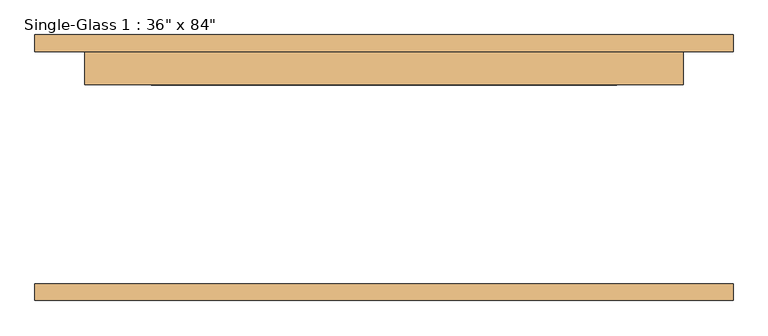
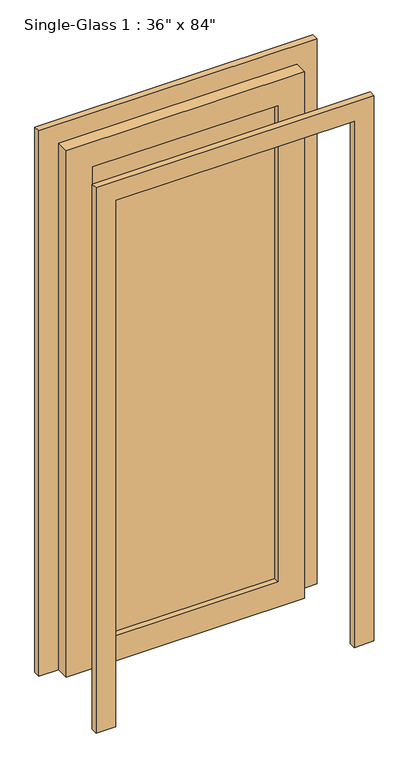
"""IFC4 building model written with IfcOpenShell, lengths in millimetres: door geometry."""

from ifc_helpers import new_model, si_unit, frame, origin, place, context, project, spatial, polyline, outline, extrude, source, transform, mapped, element, save


def door_62984ab8(model_context):
    return source(origin(), model_context, "Body", "SweptSolid", [
        extrude(outline(polyline([(2133.6, 457.2), (0.0, 457.2), (0.0, 533.4), (2209.8, 533.4), (2209.8, -533.4), (0.0, -533.4), (0.0, -457.2), (2133.6, -457.2), (2133.6, 457.2)])), frame((0.0, -203.2, 0.0), z_axis=(0.0, 1.0, 0.0), x_axis=(0.0, 0.0, 1.0)), (0.0, 0.0, 1.0), 25.4),
        extrude(outline(polyline([(2133.6, 457.2), (0.0, 457.2), (0.0, 533.4), (2209.8, 533.4), (2209.8, -533.4), (0.0, -533.4), (0.0, -457.2), (2133.6, -457.2), (2133.6, 457.2)])), frame((0.0, 177.8, 0.0), z_axis=(0.0, 1.0, 0.0), x_axis=(0.0, 0.0, 1.0)), (0.0, 0.0, 1.0), 25.4),
        extrude(outline(polyline([(355.6, 149.225), (-355.6, 149.225), (-355.6, 155.575), (355.6, 155.575), (355.6, 149.225)])), frame((0.0, 0.0, 101.6), z_axis=(0.0, 0.0, 1.0), x_axis=(1.0, 0.0, 0.0)), (0.0, 0.0, 1.0), 1930.4),
        extrude(outline(polyline([(2133.6, 457.2), (2133.6, -457.2), (0.0, -457.2), (0.0, 457.2), (2133.6, 457.2)]), holes=[polyline([(2032.0, -355.6), (2032.0, 355.6), (101.6, 355.6), (101.6, -355.6), (2032.0, -355.6)])]), frame((0.0, 127.0, 0.0), z_axis=(0.0, 1.0, 0.0), x_axis=(0.0, 0.0, 1.0)), (0.0, 0.0, 1.0), 50.8),
    ])


if __name__ == "__main__":
    model = new_model("IFC4")
    model_context = context("Model", 3, world=origin())
    ifc_project = project(units=[si_unit("LENGTHUNIT", "METRE", prefix="MILLI")], contexts=[model_context])
    site = spatial("IfcSite", under=ifc_project)
    building = spatial("IfcBuilding", under=site)
    placement = place(None, origin())
    door_shape = door_62984ab8(model_context)
    element("IfcDoor", 1, ObjectType="Single-Glass 1 : 36\" x 84\"", at=placement, inside=building, context=model_context, shape_type="MappedRepresentation", body=[
        mapped(door_shape, transform((0.0, 0.0, 0.0), x_axis=(1.0, 0.0, 0.0), y_axis=(0.0, 1.0, 0.0), z_axis=(0.0, 0.0, 1.0))),
    ])
    save(model, "model.ifc")
